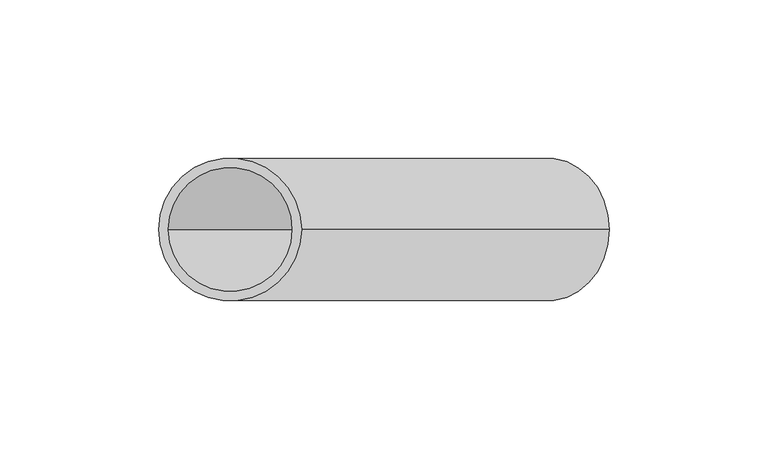
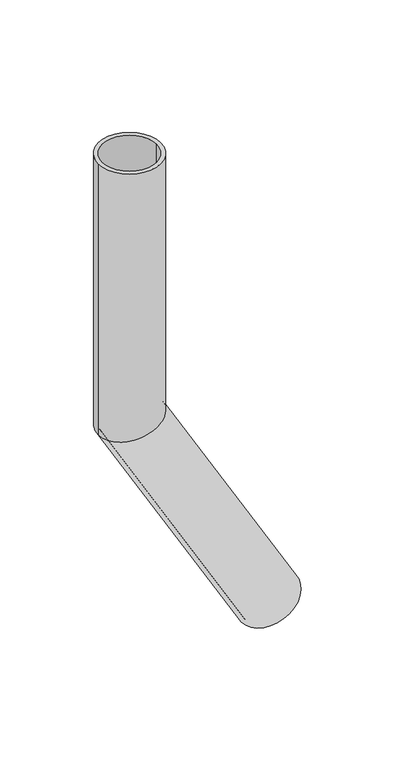
"""IFC4 building model written with IfcOpenShell, lengths in millimetres: beam geometry."""

from ifc_helpers import new_model, si_unit, frame, origin, place, context, project, spatial, polyline, circle_curve, ellipse_curve, source, transform, mapped, element, save
from ifc_brep_helpers import plane_surface, cylinder_surface, revolved_surface, advanced_brep


def beam_920777ed(model_context):
    return source(origin(), model_context, "Body", "AdvancedBrep", [
        advanced_brep(
        [(119.4855716, 0.0, -361.9550808), (80.5144284, 0.0, -384.4550808), (116.8874954, 0.0, -363.4550808), (83.1125046, 0.0, -382.9550808), (22.5, 0.0, 0.0), (-22.5, 0.0, 0.0), (19.5, 0.0, 0.0), (-19.5, 0.0, 0.0), (19.5, 0.0, -194.7749907), (0.0, -19.5, -200.0), (-19.5, 0.0, -205.2250093), (0.0, 19.5, -200.0), (22.5, 0.0, -193.9711432), (-22.5, 0.0, -206.0288568)],
        [
            (0, 1, circle_curve(frame((100.0, 0.0, -373.2050808), z_axis=(0.5000000000000633, 0.0, -0.8660254037844022), x_axis=(-0.8660254037844022, 0.0, -0.5000000000000633)), 22.5)),
            (1, 0, circle_curve(frame((100.0, 0.0, -373.2050808), z_axis=(0.5000000000000633, 0.0, -0.8660254037844022), x_axis=(-0.8660254037844022, 0.0, -0.5000000000000633)), 22.5)),
            (2, 3, circle_curve(frame((100.0, 0.0, -373.2050808), z_axis=(-0.5000000000000633, 0.0, 0.8660254037844022), x_axis=(-0.8660254037844022, 0.0, -0.5000000000000633)), 19.5)),
            (3, 2, circle_curve(frame((100.0, 0.0, -373.2050808), z_axis=(-0.5000000000000633, 0.0, 0.8660254037844022), x_axis=(-0.8660254037844022, 0.0, -0.5000000000000633)), 19.5)),
            (4, 5, circle_curve(frame((0.0, 0.0, 0.0), z_axis=(0.0, 0.0, 1.0), x_axis=(-1.0, 0.0, 0.0)), 22.5)),
            (5, 4, circle_curve(frame((0.0, 0.0, 0.0), z_axis=(0.0, 0.0, 1.0), x_axis=(-1.0, 0.0, 0.0)), 22.5)),
            (6, 7, circle_curve(frame((0.0, 0.0, 0.0), z_axis=(0.0, 0.0, -1.0), x_axis=(-1.0, 0.0, 0.0)), 19.5)),
            (7, 6, circle_curve(frame((0.0, 0.0, 0.0), z_axis=(0.0, 0.0, -1.0), x_axis=(-1.0, 0.0, 0.0)), 19.5)),
            (6, 8),
            (8, 9, ellipse_curve(frame((0.0, 0.0, -200.0), z_axis=(0.25881904510255604, 0.0, -0.9659258262890589), x_axis=(0.9659258262890589, 0.0, 0.25881904510255593)), 20.1878855, 19.5)),
            (9, 10, ellipse_curve(frame((0.0, 0.0, -200.0), z_axis=(0.25881904510255604, 0.0, -0.9659258262890589), x_axis=(0.9659258262890589, 0.0, 0.25881904510255593)), 20.1878855, 19.5)),
            (10, 7),
            (10, 11, ellipse_curve(frame((0.0, 0.0, -200.0), z_axis=(0.25881904510255604, 0.0, -0.9659258262890589), x_axis=(0.9659258262890589, 0.0, 0.25881904510255593)), 20.1878855, 19.5)),
            (11, 8, ellipse_curve(frame((0.0, 0.0, -200.0), z_axis=(0.25881904510255604, 0.0, -0.9659258262890589), x_axis=(0.9659258262890589, 0.0, 0.25881904510255593)), 20.1878855, 19.5)),
            (4, 12),
            (12, 13, ellipse_curve(frame((0.0, 0.0, -200.0), z_axis=(-0.25881904510255604, 0.0, 0.9659258262890589), x_axis=(-0.9659258262890589, 0.0, -0.25881904510255593)), 23.2937141, 22.5)),
            (13, 5),
            (13, 12, ellipse_curve(frame((0.0, 0.0, -200.0), z_axis=(-0.25881904510255604, 0.0, 0.9659258262890589), x_axis=(-0.9659258262890589, 0.0, -0.25881904510255593)), 23.2937141, 22.5)),
            (2, 8),
            (10, 3),
            (0, 12),
            (13, 1),
        ],
        [
            plane_surface(frame((100.0, 0.0, -373.2050808), z_axis=(0.5000000000000633, 0.0, -0.8660254037844022), x_axis=(0.0, -1.0, 0.0))),
            plane_surface(frame((0.0, 0.0, 0.0), z_axis=(0.0, 0.0, 1.0), x_axis=(0.0, -1.0, 0.0))),
            revolved_surface(polyline([(-19.5, 0.0, 0.0), (-19.5, 0.0, -205.2250093)]), (0.0, 0.0, -200.0), (0.0, 0.0, 1.0)),
            cylinder_surface(frame((0.0, 0.0, -200.0), z_axis=(0.0, 0.0, -1.0), x_axis=(-1.0, 0.0, 0.0)), 22.5),
            revolved_surface(polyline([(-19.500000016351876, 0.0, -205.2250092672269), (83.11250463275573, 0.0, -382.9550808113489)]), (100.0, 0.0, -373.2050808), (-0.5000000000000633, 0.0, 0.8660254037844022)),
            cylinder_surface(frame((100.0, 0.0, -373.2050808), z_axis=(0.5000000000000633, 0.0, -0.8660254037844022), x_axis=(-0.8660254037844022, 0.0, -0.5000000000000633)), 22.5),
        ],
        [
            (0, [[1, 2], [3, 4]]),
            (1, [[5, 6], [7, 8]]),
            (2, [[-7, 9, 10, 11, 12]]),
            (2, [[-8, -12, 13, 14, -9]]),
            (3, [[-5, 15, 16, 17]]),
            (3, [[-6, -17, 18, -15]]),
            (4, [[-3, 19, -14, -13, 20]]),
            (4, [[-4, -20, -11, -10, -19]]),
            (5, [[-1, 21, -18, 22]]),
            (5, [[-2, -22, -16, -21]]),
        ],
    ),
    ])


if __name__ == "__main__":
    model = new_model("IFC4")
    model_context = context("Model", 3, world=origin())
    ifc_project = project(units=[si_unit("LENGTHUNIT", "METRE", prefix="MILLI")], contexts=[model_context])
    site = spatial("IfcSite", under=ifc_project)
    building = spatial("IfcBuilding", under=site)
    placement = place(None, origin())
    beam_shape = beam_920777ed(model_context)
    element("IfcBeam", 1, at=placement, inside=building, context=model_context, shape_type="MappedRepresentation", body=[
        mapped(beam_shape, transform((0.0, 0.0, 0.0), x_axis=(1.0, 0.0, 0.0), y_axis=(0.0, 1.0, 0.0), z_axis=(0.0, 0.0, 1.0))),
    ])
    save(model, "model.ifc")
